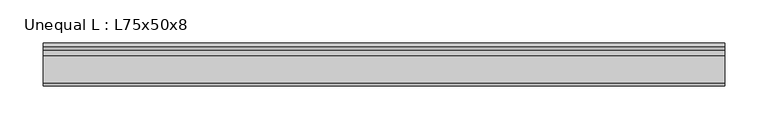
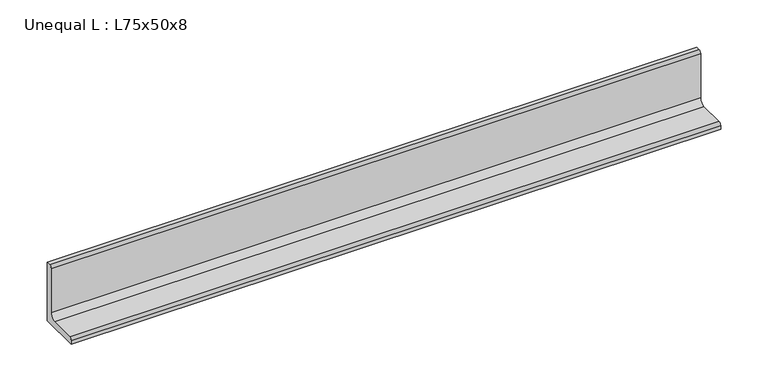
"""IFC4 building model written with IfcOpenShell, lengths in millimetres: beam geometry, Unequal L : L75x50x8."""

from ifc_helpers import new_model, si_unit, point, frame, frame_2d, origin, place, context, project, spatial, polyline, circle_curve, trimmed, segment, composite_curve, outline, extrude, source, transform, mapped, element, save


def unequal_l_l75x50x8_86ab07fd(model_context):
    return source(origin(), model_context, "Body", "SweptSolid", [
        extrude(outline(composite_curve([segment(polyline([(12.9, -25.2), (-37.1, -25.2), (-37.1, -20.7)]), True, "CONTINUOUS"), segment(trimmed(circle_curve(frame_2d((-33.6, -20.7)), 3.5), [point((-37.1, -20.7))], [point((-33.6, -17.2))], False, "CARTESIAN"), True, "CONTINUOUS"), segment(polyline([(-33.6, -17.2), (-2.1, -17.2)]), True, "CONTINUOUS"), segment(trimmed(circle_curve(frame_2d((-2.1, -10.2)), 7.0), [point((-2.1, -17.2))], [point((4.9, -10.2))], True, "CARTESIAN"), True, "CONTINUOUS"), segment(polyline([(4.9, -10.2), (4.9, 46.3)]), True, "CONTINUOUS"), segment(trimmed(circle_curve(frame_2d((8.4, 46.3)), 3.5), [point((4.9, 46.3))], [point((8.4, 49.8))], False, "CARTESIAN"), True, "CONTINUOUS"), segment(polyline([(8.4, 49.8), (12.9, 49.8), (12.9, -25.2)]), True, "CONTINUOUS")], self_intersect=False)), frame((-441.0990574, 0.0, 0.0), z_axis=(1.0, 0.0, 0.0), x_axis=(0.0, 1.0, 0.0)), (0.0, 0.0, 1.0), 789.9999998),
    ])


if __name__ == "__main__":
    model = new_model("IFC4")
    model_context = context("Model", 3, world=origin())
    ifc_project = project(units=[si_unit("LENGTHUNIT", "METRE", prefix="MILLI")], contexts=[model_context])
    site = spatial("IfcSite", under=ifc_project)
    building = spatial("IfcBuilding", under=site)
    placement = place(None, origin())
    unequal_l_l75x50x8_shape = unequal_l_l75x50x8_86ab07fd(model_context)
    element("IfcBeam", 1, ObjectType="Unequal L : L75x50x8", at=placement, inside=building, context=model_context, shape_type="MappedRepresentation", body=[
        mapped(unequal_l_l75x50x8_shape, transform((0.0, 0.0, 0.0), x_axis=(1.0, 0.0, 0.0), y_axis=(0.0, 1.0, 0.0), z_axis=(0.0, 0.0, 1.0))),
    ])
    save(model, "model.ifc")
